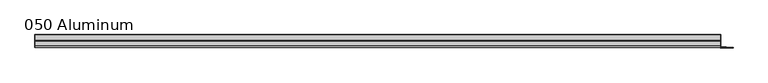
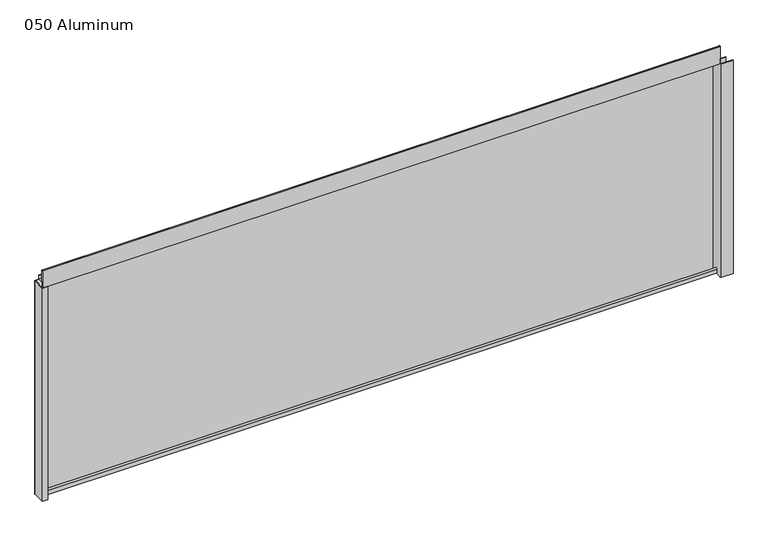
"""IFC4 building model written with IfcOpenShell, lengths in millimetres: plate geometry, 050 Aluminum."""

from ifc_helpers import new_model, si_unit, point, frame, frame_2d, origin, origin_with_axes, place, context, project, spatial, polyline, circle_curve, trimmed, segment, composite_curve, outline, extrude, source, transform, mapped, element, save


def plate_050_aluminum_fcbe056d(model_context):
    return source(origin(), model_context, "Body", "SweptSolid", [
        extrude(outline(polyline([(-919.48, 2.5660257), (-906.5894994, 2.5660257), (-906.5894994, 1.2699999), (-920.7499999, 1.2699999), (-920.7499999, 34.7980001), (-919.48, 34.7980001), (-919.48, 2.5660257)])), origin_with_axes(), (0.0, 0.0, 1.0), 608.33),
        extrude(outline(composite_curve([segment(trimmed(circle_curve(frame_2d((19.8514743, 13.124237)), 3.175), [point((16.6765477, 13.1458337))], [point((23.0264743, 13.124237))], False, "CARTESIAN"), True, "CONTINUOUS"), segment(polyline([(23.0264743, 13.124237), (23.0264743, 1.2693678), (34.7980002, 1.2693678), (34.7980002, 0.0), (21.7564743, 0.0), (21.7564743, 13.124237)]), True, "CONTINUOUS"), segment(trimmed(circle_curve(frame_2d((19.8514743, 13.124237)), 1.905), [point((21.7564743, 13.124237))], [point((17.9464915, 13.1323356))], True, "CARTESIAN"), True, "CONTINUOUS"), segment(polyline([(17.9464915, 13.1323356), (17.9464915, 2.786437), (16.6765477, 2.786437), (16.6765477, 13.1458337)]), True, "CONTINUOUS")], self_intersect=False)), frame((-919.48, 0.0, 0.0), z_axis=(1.0, 0.0, 0.0), x_axis=(0.0, 1.0, 0.0)), (0.0, 0.0, 1.0), 1826.26),
        extrude(outline(composite_curve([segment(trimmed(circle_curve(frame_2d((3.7084742, 656.7932001)), 1.6509999), [point((2.0574743, 656.7932001))], [point((5.3594742, 656.7932001))], False, "CARTESIAN"), True, "CONTINUOUS"), segment(polyline([(5.3594742, 656.7932001), (5.3594742, 623.57), (19.2164743, 623.57), (19.2164743, 633.6538), (20.4864742, 633.6538), (20.4864742, 622.3), (4.0894742, 622.3), (4.0894742, 656.7932001)]), True, "CONTINUOUS"), segment(trimmed(circle_curve(frame_2d((3.7084742, 656.7932001)), 0.3809999), [point((4.0894742, 656.7932001))], [point((3.3274743, 656.7932001))], True, "CARTESIAN"), True, "CONTINUOUS"), segment(polyline([(3.3274743, 656.7932001), (3.3274743, 609.6000001), (34.7980002, 609.6000001), (34.7980002, 608.33), (2.0574743, 608.33), (2.0574743, 656.7932001)]), True, "CONTINUOUS")], self_intersect=False)), frame((-919.48, 0.0, 0.0), z_axis=(1.0, 0.0, 0.0), x_axis=(0.0, 1.0, 0.0)), (0.0, 0.0, 1.0), 1826.26),
        extrude(outline(polyline([(-920.75, 36.068), (908.05, 36.068), (908.05, 34.7980001), (-920.75, 34.7980001), (-920.75, 36.068)])), origin_with_axes(), (0.0, 0.0, 1.0), 609.6),
        extrude(outline(polyline([(908.05, 1.2699999), (940.5620856, 1.2699999), (940.5620856, 0.0), (906.7800001, 0.0), (906.7800001, 34.7980002), (908.05, 34.7980002), (908.05, 1.2699999)])), origin_with_axes(), (0.0, 0.0, 1.0), 608.33),
        extrude(outline(polyline([(906.78, 3.3274743), (922.5279999, 3.3274743), (922.5279999, 2.0574743), (906.78, 2.0574743), (906.78, 3.3274743)])), origin_with_axes(), (0.0, 0.0, 1.0), 622.3),
    ])


if __name__ == "__main__":
    model = new_model("IFC4")
    model_context = context("Model", 3, world=origin())
    ifc_project = project(units=[si_unit("LENGTHUNIT", "METRE", prefix="MILLI")], contexts=[model_context])
    site = spatial("IfcSite", under=ifc_project)
    building = spatial("IfcBuilding", under=site)
    placement = place(None, origin())
    plate_050_aluminum_shape = plate_050_aluminum_fcbe056d(model_context)
    element("IfcPlate", 1, ObjectType="050 Aluminum", at=placement, inside=building, context=model_context, shape_type="MappedRepresentation", body=[
        mapped(plate_050_aluminum_shape, transform((0.0, 0.0, 0.0), x_axis=(1.0, 0.0, 0.0), y_axis=(0.0, 1.0, 0.0), z_axis=(0.0, 0.0, 1.0))),
    ])
    save(model, "model.ifc")
